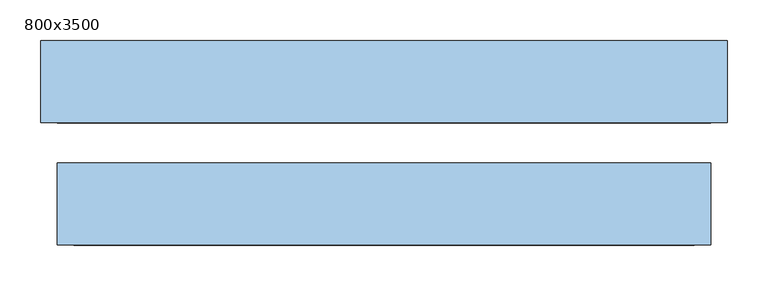
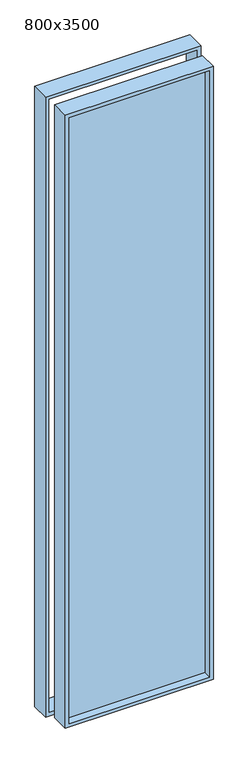
"""IFC4 building model written with IfcOpenShell, lengths in millimetres: window geometry, 800x3500."""

from ifc_helpers import new_model, si_unit, frame, origin, place, context, project, spatial, polyline, outline, extrude, source, transform, mapped, element, save


def window_800x3500_32eccd54(model_context):
    return source(origin(), model_context, "Body", "SweptSolid", [
        extrude(outline(polyline([(780.0, 420.0), (4320.0, 420.0), (4320.0, -420.0), (780.0, -420.0), (780.0, 420.0)]), holes=[polyline([(800.0, -400.0), (4300.0, -400.0), (4300.0, 400.0), (800.0, 400.0), (800.0, -400.0)])]), frame((0.0, 98.9992516, 0.0), z_axis=(0.0, 1.0, 0.0), x_axis=(0.0, 0.0, 1.0)), (0.0, 0.0, 1.0), 100.0),
        extrude(outline(polyline([(380.0, -8.5007484), (-380.0, -8.5007484), (-380.0, 6.4992516), (380.0, 6.4992516), (380.0, -8.5007484)])), frame((0.0, 0.0, 820.0), z_axis=(0.0, 0.0, 1.0), x_axis=(1.0, 0.0, 0.0)), (0.0, 0.0, 1.0), 3460.0),
        extrude(outline(polyline([(800.0, 400.0), (4300.0, 400.0), (4300.0, -400.0), (800.0, -400.0), (800.0, 400.0)]), holes=[polyline([(820.0, -380.0), (4280.0, -380.0), (4280.0, 380.0), (820.0, 380.0), (820.0, -380.0)])]), frame((0.0, -51.0007484, 0.0), z_axis=(0.0, 1.0, 0.0), x_axis=(0.0, 0.0, 1.0)), (0.0, 0.0, 1.0), 100.0),
    ])


if __name__ == "__main__":
    model = new_model("IFC4")
    model_context = context("Model", 3, world=origin())
    ifc_project = project(units=[si_unit("LENGTHUNIT", "METRE", prefix="MILLI")], contexts=[model_context])
    site = spatial("IfcSite", under=ifc_project)
    building = spatial("IfcBuilding", under=site)
    placement = place(None, origin())
    window_800x3500_shape = window_800x3500_32eccd54(model_context)
    element("IfcWindow", 1, ObjectType="800x3500", at=placement, inside=building, context=model_context, shape_type="MappedRepresentation", body=[
        mapped(window_800x3500_shape, transform((0.0, 0.0, 0.0), x_axis=(1.0, 0.0, 0.0), y_axis=(0.0, 1.0, 0.0), z_axis=(0.0, 0.0, 1.0))),
    ])
    save(model, "model.ifc")
